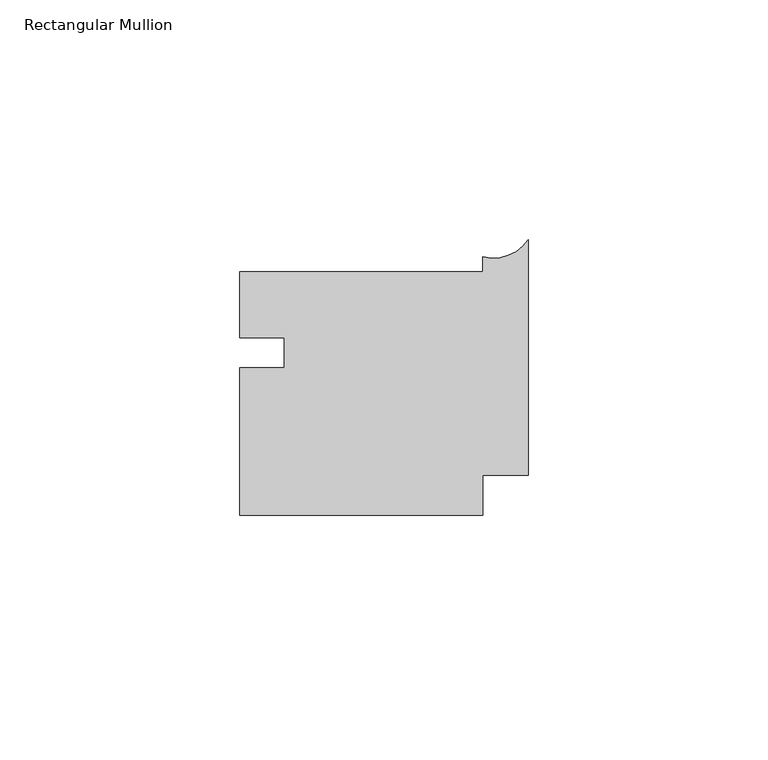
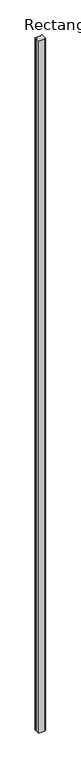
"""IFC4 building model written with IfcOpenShell, lengths in millimetres: member geometry, Rectangular Mullion."""

from ifc_helpers import new_model, si_unit, point, frame, frame_2d, origin, place, context, project, spatial, polyline, circle_curve, trimmed, segment, composite_curve, outline, extrude, source, transform, mapped, element, save


def rectangular_mullion_e8343105(model_context):
    return source(origin(), model_context, "Body", "SweptSolid", [
        extrude(outline(composite_curve([segment(polyline([(-9.5134254, -16.8495084), (-9.5261254, -25.1965423), (-60.3285638, -25.1965423), (-60.3285638, 5.6068317), (-51.0245946, 5.6068317), (-51.0245946, 11.8976573), (-60.3285638, 11.8976573), (-60.3285638, 25.6034577), (-9.5261254, 25.6034577), (-9.5261254, 28.7784577)]), True, "CONTINUOUS"), segment(trimmed(circle_curve(frame_2d((-7.2953837, 37.2868144)), 8.7959275), [point((-9.5261254, 28.7784577))], [point((0.0, 32.3729852))], True, "CARTESIAN"), True, "CONTINUOUS"), segment(polyline([(0.0, 32.3729852), (0.0, -16.8495084), (-9.5134254, -16.8495084)]), True, "CONTINUOUS")], self_intersect=False)), frame((0.0, 0.0, -6096.0), z_axis=(0.0, 0.0, 1.0), x_axis=(1.0, 0.0, 0.0)), (0.0, 0.0, 1.0), 6096.0),
    ])


if __name__ == "__main__":
    model = new_model("IFC4")
    model_context = context("Model", 3, world=origin())
    ifc_project = project(units=[si_unit("LENGTHUNIT", "METRE", prefix="MILLI")], contexts=[model_context])
    site = spatial("IfcSite", under=ifc_project)
    building = spatial("IfcBuilding", under=site)
    placement = place(None, origin())
    rectangular_mullion_shape = rectangular_mullion_e8343105(model_context)
    element("IfcMember", 1, ObjectType="Rectangular Mullion", at=placement, inside=building, context=model_context, shape_type="MappedRepresentation", body=[
        mapped(rectangular_mullion_shape, transform((0.0, 0.0, 0.0), x_axis=(1.0, 0.0, 0.0), y_axis=(0.0, 1.0, 0.0), z_axis=(0.0, 0.0, 1.0))),
    ])
    save(model, "model.ifc")
